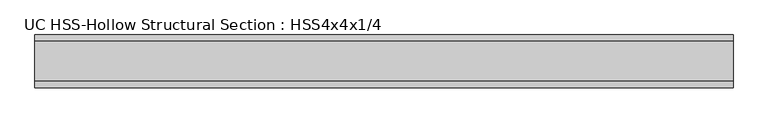
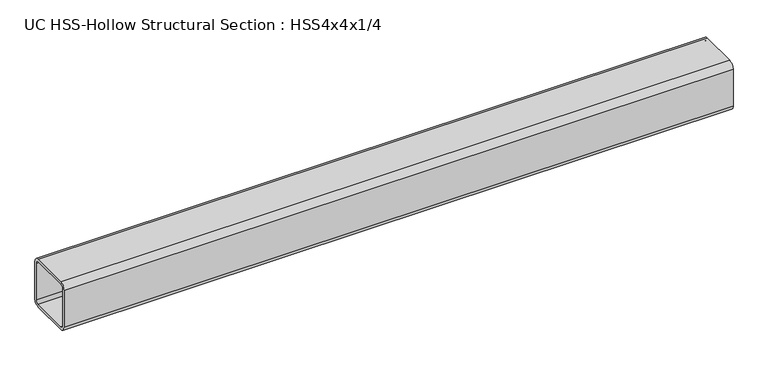
"""IFC4 building model written with IfcOpenShell, lengths in millimetres: beam geometry, UC HSS-Hollow Structural Section : HSS4x4x1/4."""

import ifcopenshell
import ifcopenshell.guid

model = None  # the IFC model being written
_history = None  # IfcOwnerHistory: only IFC2X3 demands one
_inside = {}  # id of a spatial element -> (the spatial element, [elements in it])
_under = {}  # id of a project, library or spatial element -> (it, [spatial elements below it])
_declared = {}  # id of a project -> (the project, [libraries it declares])
_typed = {}  # id of a type object -> (the type object, [elements of that type])
_made_of = {}  # id of a material, layer set ... -> (it, [elements and type objects made of it])


def new_model(schema):
    """Start an empty IFC model of exactly this schema.

    Asked for "IFC4X3", IfcOpenShell would pick the latest addendum, in which some entities
    have other attributes; the version numbers below select the first issue.
    IFC2X3 requires an IfcOwnerHistory on every rooted entity: one is made here for all.
    """
    global model, _history
    if schema == "IFC4X3":
        model = ifcopenshell.file(schema_version=(4, 3, 0, 0))
    else:
        model = ifcopenshell.file(schema=schema)
    _inside.clear()
    _under.clear()
    _declared.clear()
    _typed.clear()
    _made_of.clear()
    _history = None
    if model.schema == "IFC2X3":
        org = make("IfcOrganization", Name="unknown")
        user = make(
            "IfcPersonAndOrganization",
            ThePerson=make("IfcPerson", FamilyName="unknown"),
            TheOrganization=org,
        )
        app = make(
            "IfcApplication",
            ApplicationDeveloper=org,
            Version="unknown",
            ApplicationFullName="unknown",
            ApplicationIdentifier="unknown",
        )
        _history = make(
            "IfcOwnerHistory",
            OwningUser=user,
            OwningApplication=app,
            ChangeAction="ADDED",
            CreationDate=0,
        )
    return model


def make(cls, **values):
    """One entity of the class cls with the attributes given. An attribute that is None is left unset."""
    return model.create_entity(
        cls, **{name: value for name, value in values.items() if value is not None}
    )


def rooted(cls, **values):
    """An entity with a GlobalId (a new one), such as an element, a storey or a relation."""
    return make(cls, GlobalId=ifcopenshell.guid.new(), OwnerHistory=_history, **values)


def si_unit(unit_type, name, prefix=None):
    """IfcSIUnit, for example si_unit("LENGTHUNIT", "METRE", prefix="MILLI")."""
    return make("IfcSIUnit", UnitType=unit_type, Prefix=prefix, Name=name)


def assignment(units):
    """IfcUnitAssignment: the units of a project."""
    return None if units is None else make("IfcUnitAssignment", Units=units)


def point(xyz):
    """IfcCartesianPoint."""
    return None if xyz is None else make("IfcCartesianPoint", Coordinates=xyz)


def direction(xyz):
    """IfcDirection."""
    return None if xyz is None else make("IfcDirection", DirectionRatios=xyz)


def frame(location, z_axis=None, x_axis=None):
    """IfcAxis2Placement3D, a coordinate frame: its origin and axes. An axis left out is left unset."""
    return make(
        "IfcAxis2Placement3D",
        Location=point(location),
        Axis=direction(z_axis),
        RefDirection=direction(x_axis),
    )


def frame_2d(location, x_axis=None):
    """IfcAxis2Placement2D, a coordinate frame in the plane: its origin and x axis."""
    return make(
        "IfcAxis2Placement2D", Location=point(location), RefDirection=direction(x_axis)
    )


def origin():
    """The frame at (0, 0, 0) with its axes left unset."""
    return frame((0.0, 0.0, 0.0))


def place(relative_to, where):
    """IfcLocalPlacement: puts the frame where relative to a parent placement (None: the world)."""
    return make(
        "IfcLocalPlacement", PlacementRelTo=relative_to, RelativePlacement=where
    )


def context(
    kind, dimensions, precision=None, world=None, true_north=None, identifier=None
):
    """IfcGeometricRepresentationContext, for example the 3D "Model" context."""
    return make(
        "IfcGeometricRepresentationContext",
        ContextIdentifier=identifier,
        ContextType=kind,
        CoordinateSpaceDimension=dimensions,
        Precision=precision,
        WorldCoordinateSystem=world,
        TrueNorth=true_north,
    )


def project(units=None, contexts=None):
    """IfcProject with its units and contexts."""
    return rooted(
        "IfcProject",
        Name="project",
        RepresentationContexts=contexts,
        UnitsInContext=assignment(units),
    )


def spatial(cls, under=None, at=None, **own):
    """A site, building, storey or space (cls), placed at a placement, below another one or the project."""
    s = rooted(cls, ObjectPlacement=at, **own)
    if under is not None:
        _under.setdefault(under.id(), (under, []))[1].append(s)
    return s


def polyline(points):
    """IfcPolyline through the points."""
    return make("IfcPolyline", Points=[point(p) for p in points])


def circle_curve(where, radius):
    """IfcCircle in the frame where."""
    return make("IfcCircle", Position=where, Radius=radius)


def trimmed(basis, trim1, trim2, sense, master):
    """IfcTrimmedCurve: the piece of a basis curve between two trims."""
    return make(
        "IfcTrimmedCurve",
        BasisCurve=basis,
        Trim1=trim1,
        Trim2=trim2,
        SenseAgreement=sense,
        MasterRepresentation=master,
    )


def segment(curve, same_sense, transition):
    """IfcCompositeCurveSegment."""
    return make(
        "IfcCompositeCurveSegment",
        Transition=transition,
        SameSense=same_sense,
        ParentCurve=curve,
    )


def composite_curve(segments, self_intersect=None):
    """IfcCompositeCurve: segments joined end to end."""
    return make("IfcCompositeCurve", Segments=segments, SelfIntersect=self_intersect)


def outline(outer, holes=None, kind="AREA"):
    """IfcArbitraryClosedProfileDef: a profile drawn as a closed curve; with holes, ...WithVoids."""
    if holes is None:
        return make("IfcArbitraryClosedProfileDef", ProfileType=kind, OuterCurve=outer)
    return make(
        "IfcArbitraryProfileDefWithVoids",
        ProfileType=kind,
        OuterCurve=outer,
        InnerCurves=holes,
    )


def extrude(swept, where, along, depth):
    """IfcExtrudedAreaSolid: the profile swept, set in the frame where, extruded along a direction by depth."""
    return make(
        "IfcExtrudedAreaSolid",
        SweptArea=swept,
        Position=where,
        ExtrudedDirection=direction(along),
        Depth=depth,
    )


def shape(context_of_items, identifier, shape_type, items):
    """IfcShapeRepresentation: the items that make up one representation, for example the "Body"."""
    return make(
        "IfcShapeRepresentation",
        ContextOfItems=context_of_items,
        RepresentationIdentifier=identifier,
        RepresentationType=shape_type,
        Items=items,
    )


def source(mapping_origin, context_of_items, identifier, shape_type, items):
    """IfcRepresentationMap: a shape defined once, which mapped items show again and again."""
    return make(
        "IfcRepresentationMap",
        MappingOrigin=mapping_origin,
        MappedRepresentation=shape(context_of_items, identifier, shape_type, items),
    )


def transform(
    local_origin,
    x_axis=None,
    y_axis=None,
    z_axis=None,
    scale=None,
    scale2=None,
    scale3=None,
    uniform=True,
):
    """IfcCartesianTransformationOperator3D, or its non-uniform kind. x_axis, y_axis, z_axis: its Axis1, 2, 3."""
    if uniform:
        return make(
            "IfcCartesianTransformationOperator3D",
            Axis1=direction(x_axis),
            Axis2=direction(y_axis),
            LocalOrigin=point(local_origin),
            Scale=scale,
            Axis3=direction(z_axis),
        )
    return make(
        "IfcCartesianTransformationOperator3DnonUniform",
        Axis1=direction(x_axis),
        Axis2=direction(y_axis),
        LocalOrigin=point(local_origin),
        Scale=scale,
        Axis3=direction(z_axis),
        Scale2=scale2,
        Scale3=scale3,
    )


def mapped(mapping_source, mapping_target):
    """IfcMappedItem: shows the shape of a source again, moved by a transform."""
    return make(
        "IfcMappedItem", MappingSource=mapping_source, MappingTarget=mapping_target
    )


def made_of(thing, what):
    """Note that an element or type object is made of a material, layer set ...; save() writes the relation."""
    if what is not None:
        _made_of.setdefault(what.id(), (what, []))[1].append(thing)
    return thing


def element(
    cls,
    number,
    at=None,
    inside=None,
    cuts=None,
    type_object=None,
    material=None,
    context=None,
    identifier="Body",
    shape_type=None,
    held_by="IfcProductDefinitionShape",
    body=None,
    shapes=None,
    **own,
):
    """One element of the class cls, such as IfcWall. Its Tag is "e" and its number.

    at: its placement. inside: the storey or other place that contains it. cuts: it is an
    opening in that element (IfcRelVoidsElement). A single representation is given by context,
    identifier, shape_type and body (its items); several are given by shapes. held_by: the class
    of the entity that holds the representations. save() writes the other relations.
    """
    e = rooted(cls, Tag="e%d" % number, ObjectPlacement=at, **own)
    if body is not None:
        shapes = [shape(context, identifier, shape_type, body)]
    if shapes is not None:
        e.Representation = make(held_by, Representations=shapes)
    if inside is not None:
        _inside.setdefault(inside.id(), (inside, []))[1].append(e)
    if cuts is not None:
        rooted(
            "IfcRelVoidsElement", RelatingBuildingElement=cuts, RelatedOpeningElement=e
        )
    if type_object is not None:
        _typed.setdefault(type_object.id(), (type_object, []))[1].append(e)
    return made_of(e, material)


def aggregate(whole, parts):
    """IfcRelAggregates: a whole, such as a stair, and the parts it consists of."""
    return rooted("IfcRelAggregates", RelatingObject=whole, RelatedObjects=parts)


def save(model, path):
    """Write the relations noted so far, then the file.

    IfcRelAggregates (storeys below a building ...), IfcRelContainedInSpatialStructure (elements
    in a storey), IfcRelDefinesByType, IfcRelAssociatesMaterial and IfcRelDeclares: one each for
    every whole, place, type object, material and project.
    """
    for whole, parts in _under.values():
        aggregate(whole, parts)
    for where, things in _inside.values():
        rooted(
            "IfcRelContainedInSpatialStructure",
            RelatedElements=things,
            RelatingStructure=where,
        )
    for kind, things in _typed.values():
        rooted("IfcRelDefinesByType", RelatedObjects=things, RelatingType=kind)
    for what, things in _made_of.values():
        rooted("IfcRelAssociatesMaterial", RelatedObjects=things, RelatingMaterial=what)
    for by, libraries in _declared.values():
        rooted("IfcRelDeclares", RelatingContext=by, RelatedDefinitions=libraries)
    model.write(path)


def uc_hss_hollow_structural_section_hss4x4x1_4_44467f61(model_context):
    return source(origin(), model_context, "Body", "SweptSolid", [
        extrude(outline(composite_curve([segment(trimmed(circle_curve(frame_2d((-38.9636, 38.9636)), 11.8364), [point((-50.8, 38.9636))], [point((-38.9636, 50.8))], False, "CARTESIAN"), True, "CONTINUOUS"), segment(polyline([(-38.9636, 50.8), (38.9636, 50.8)]), True, "CONTINUOUS"), segment(trimmed(circle_curve(frame_2d((38.9636, 38.9636)), 11.8364), [point((38.9636, 50.8))], [point((50.8, 38.9636))], False, "CARTESIAN"), True, "CONTINUOUS"), segment(polyline([(50.8, 38.9636), (50.8, -38.9636)]), True, "CONTINUOUS"), segment(trimmed(circle_curve(frame_2d((38.9636, -38.9636)), 11.8364), [point((50.8, -38.9636))], [point((38.9636, -50.8))], False, "CARTESIAN"), True, "CONTINUOUS"), segment(polyline([(38.9636, -50.8), (-38.9636, -50.8)]), True, "CONTINUOUS"), segment(trimmed(circle_curve(frame_2d((-38.9636, -38.9636)), 11.8364), [point((-38.9636, -50.8))], [point((-50.8, -38.9636))], False, "CARTESIAN"), True, "CONTINUOUS"), segment(polyline([(-50.8, -38.9636), (-50.8, 38.9636)]), True, "CONTINUOUS")], self_intersect=False), holes=[composite_curve([segment(polyline([(38.9636, 44.8818), (-38.9636, 44.8818)]), True, "CONTINUOUS"), segment(trimmed(circle_curve(frame_2d((-38.9636, 38.9636)), 5.9182), [point((-38.9636, 44.8818))], [point((-44.8818, 38.9636))], True, "CARTESIAN"), True, "CONTINUOUS"), segment(polyline([(-44.8818, 38.9636), (-44.8818, -38.9636)]), True, "CONTINUOUS"), segment(trimmed(circle_curve(frame_2d((-38.9636, -38.9636)), 5.9182), [point((-44.8818, -38.9636))], [point((-38.9636, -44.8818))], True, "CARTESIAN"), True, "CONTINUOUS"), segment(polyline([(-38.9636, -44.8818), (38.9636, -44.8818)]), True, "CONTINUOUS"), segment(trimmed(circle_curve(frame_2d((38.9636, -38.9636)), 5.9182), [point((38.9636, -44.8818))], [point((44.8818, -38.9636))], True, "CARTESIAN"), True, "CONTINUOUS"), segment(polyline([(44.8818, -38.9636), (44.8818, 38.9636)]), True, "CONTINUOUS"), segment(trimmed(circle_curve(frame_2d((38.9636, 38.9636)), 5.9182), [point((44.8818, 38.9636))], [point((38.9636, 44.8818))], True, "CARTESIAN"), True, "CONTINUOUS")], self_intersect=False)]), frame((-647.7, 0.0, 0.0), z_axis=(1.0, 0.0, 0.0), x_axis=(0.0, 1.0, 0.0)), (0.0, 0.0, 1.0), 1346.5837963),
    ])


if __name__ == "__main__":
    model = new_model("IFC4")
    model_context = context("Model", 3, world=origin())
    ifc_project = project(units=[si_unit("LENGTHUNIT", "METRE", prefix="MILLI")], contexts=[model_context])
    site = spatial("IfcSite", under=ifc_project)
    building = spatial("IfcBuilding", under=site)
    placement = place(None, origin())
    uc_hss_hollow_structural_section_hss4x4x1_4_shape = uc_hss_hollow_structural_section_hss4x4x1_4_44467f61(model_context)
    element("IfcBeam", 1, ObjectType="UC HSS-Hollow Structural Section : HSS4x4x1/4", at=placement, inside=building, context=model_context, shape_type="MappedRepresentation", body=[
        mapped(uc_hss_hollow_structural_section_hss4x4x1_4_shape, transform((0.0, 0.0, 0.0), x_axis=(1.0, 0.0, 0.0), y_axis=(0.0, 1.0, 0.0), z_axis=(0.0, 0.0, 1.0))),
    ])
    save(model, "model.ifc")
